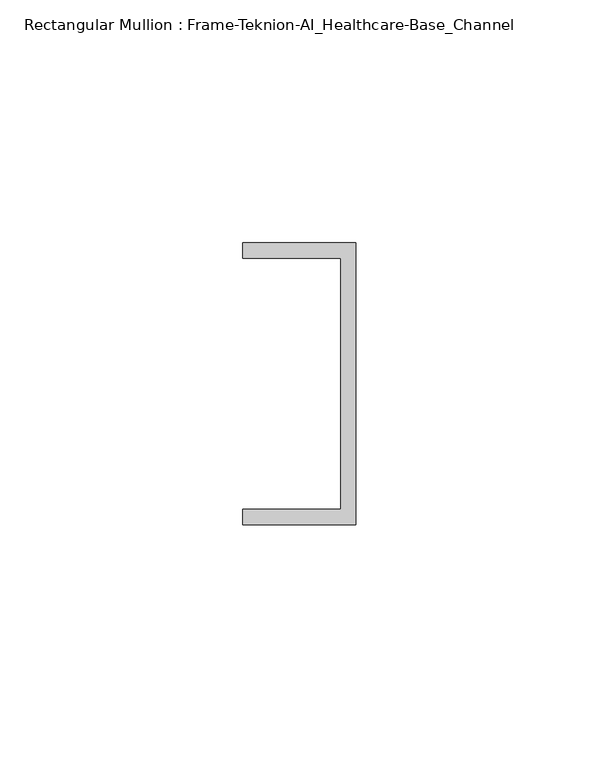
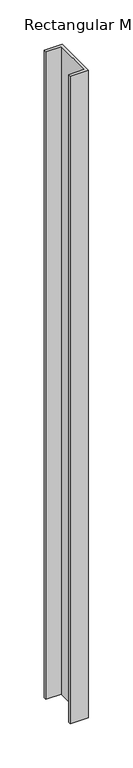
"""IFC4 building model written with IfcOpenShell, lengths in millimetres: member geometry, Rectangular Mullion : Frame-Teknion-AI_Healthcare-Base_Channel."""

from ifc_helpers import new_model, si_unit, frame, origin, place, context, project, spatial, polyline, outline, extrude, source, transform, mapped, element, save


def rectangular_mullion_frame_teknion_ai_healthcare_base_channel_fd369319(model_context):
    return source(origin(), model_context, "Body", "SweptSolid", [
        extrude(outline(polyline([(0.0, 29.0214844), (0.0, -29.0214844), (-23.3164063, -29.0214844), (-23.3164063, -25.8464844), (-3.175, -25.8464844), (-3.175, 25.8464844), (-23.3164063, 25.8464844), (-23.3164063, 29.0214844), (0.0, 29.0214844)])), frame((0.0, 0.0, -889.1704326), z_axis=(0.0, 0.0, 1.0), x_axis=(1.0, 0.0, 0.0)), (0.0, 0.0, 1.0), 889.1704326),
    ])


if __name__ == "__main__":
    model = new_model("IFC4")
    model_context = context("Model", 3, world=origin())
    ifc_project = project(units=[si_unit("LENGTHUNIT", "METRE", prefix="MILLI")], contexts=[model_context])
    site = spatial("IfcSite", under=ifc_project)
    building = spatial("IfcBuilding", under=site)
    placement = place(None, origin())
    rectangular_mullion_frame_teknion_ai_healthcare_base_channel_shape = rectangular_mullion_frame_teknion_ai_healthcare_base_channel_fd369319(model_context)
    element("IfcMember", 1, ObjectType="Rectangular Mullion : Frame-Teknion-AI_Healthcare-Base_Channel", at=placement, inside=building, context=model_context, shape_type="MappedRepresentation", body=[
        mapped(rectangular_mullion_frame_teknion_ai_healthcare_base_channel_shape, transform((0.0, 0.0, 0.0), x_axis=(1.0, 0.0, 0.0), y_axis=(0.0, 1.0, 0.0), z_axis=(0.0, 0.0, 1.0))),
    ])
    save(model, "model.ifc")
